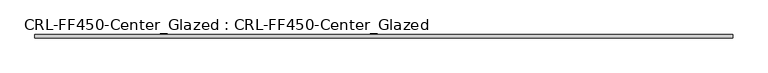
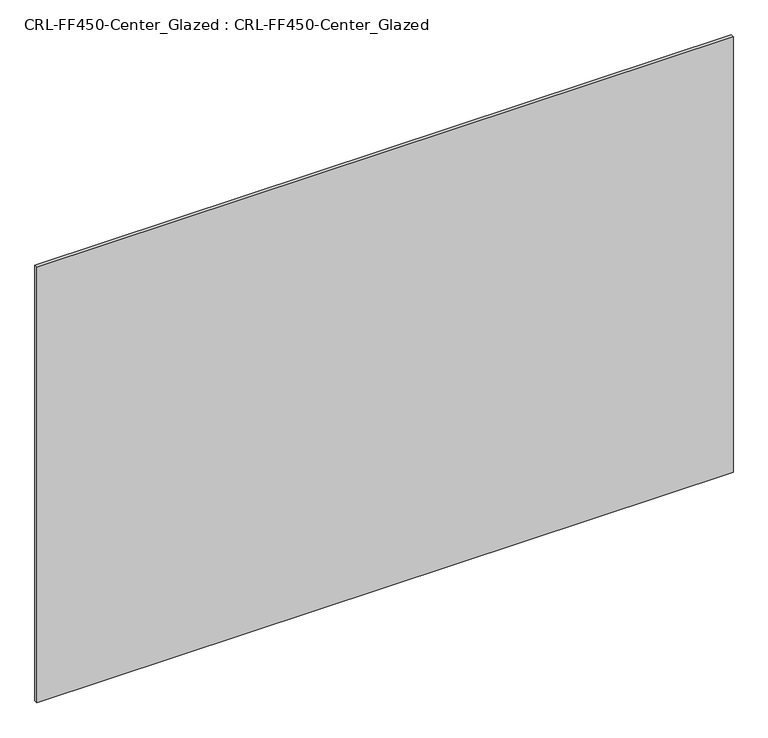
"""IFC4 building model written with IfcOpenShell, lengths in millimetres: plate geometry, CRL-FF450-Center_Glazed : CRL-FF450-Center_Glazed."""

from ifc_helpers import new_model, si_unit, origin, origin_with_axes, place, context, project, spatial, polyline, outline, extrude, source, transform, mapped, element, save


def crl_ff450_center_glazed_crl_ff450_center_glazed_0976757b(model_context):
    return source(origin(), model_context, "Body", "SweptSolid", [
        extrude(outline(polyline([(621.2462027, 3.1749999), (621.2462027, -3.1749999), (-621.2462027, -3.1749999), (-621.2462027, 3.1749999), (621.2462027, 3.1749999)])), origin_with_axes(), (0.0, 0.0, 1.0), 821.3089215),
    ])


if __name__ == "__main__":
    model = new_model("IFC4")
    model_context = context("Model", 3, world=origin())
    ifc_project = project(units=[si_unit("LENGTHUNIT", "METRE", prefix="MILLI")], contexts=[model_context])
    site = spatial("IfcSite", under=ifc_project)
    building = spatial("IfcBuilding", under=site)
    placement = place(None, origin())
    crl_ff450_center_glazed_crl_ff450_center_glazed_shape = crl_ff450_center_glazed_crl_ff450_center_glazed_0976757b(model_context)
    element("IfcPlate", 1, ObjectType="CRL-FF450-Center_Glazed : CRL-FF450-Center_Glazed", at=placement, inside=building, context=model_context, shape_type="MappedRepresentation", body=[
        mapped(crl_ff450_center_glazed_crl_ff450_center_glazed_shape, transform((0.0, 0.0, 0.0), x_axis=(1.0, 0.0, 0.0), y_axis=(0.0, 1.0, 0.0), z_axis=(0.0, 0.0, 1.0))),
    ])
    save(model, "model.ifc")
